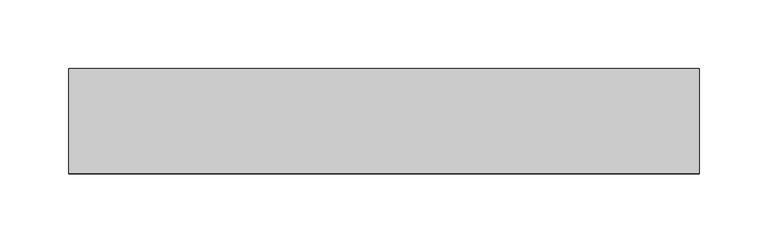
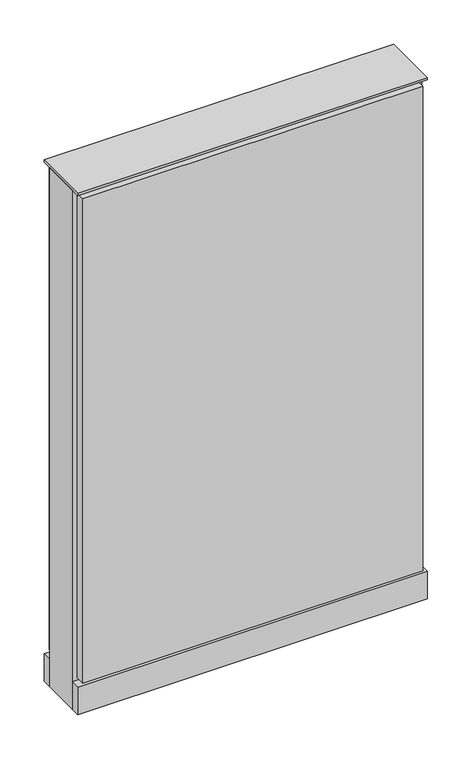
"""IFC4 building model written with IfcOpenShell, lengths in millimetres: furniture geometry."""

from ifc_helpers import new_model, si_unit, point, frame, frame_2d, origin, origin_with_axes, place, context, project, spatial, polyline, circle_curve, trimmed, segment, composite_curve, outline, extrude, source, transform, mapped, element, save


def furniture_38d11c77(model_context):
    return source(origin(), model_context, "Body", "SweptSolid", [
        extrude(outline(composite_curve([segment(trimmed(circle_curve(frame_2d((154.8402902, 0.0)), 12.7), [point((142.1402902, 0.0))], [point((167.5402902, 0.0))], False, "CARTESIAN"), True, "CONTINUOUS"), segment(trimmed(circle_curve(frame_2d((154.8402902, 0.0)), 12.7), [point((167.5402902, 0.0))], [point((142.1402902, 0.0))], False, "CARTESIAN"), True, "CONTINUOUS")], self_intersect=False)), origin_with_axes(), (0.0, 0.0, 1.0), 12.7),
        extrude(outline(composite_curve([segment(trimmed(circle_curve(frame_2d((-149.9597098, 0.0)), 12.7), [point((-162.6597098, 0.0))], [point((-137.2597098, 0.0))], False, "CARTESIAN"), True, "CONTINUOUS"), segment(trimmed(circle_curve(frame_2d((-149.9597098, 0.0)), 12.7), [point((-137.2597098, 0.0))], [point((-162.6597098, 0.0))], False, "CARTESIAN"), True, "CONTINUOUS")], self_intersect=False)), origin_with_axes(), (0.0, 0.0, 1.0), 12.7),
        extrude(outline(polyline([(224.6902902, 38.1), (224.6902902, 25.4), (-219.8097098, 25.4), (-219.8097098, 38.1), (224.6902902, 38.1)])), frame((0.0, 0.0, 53.975), z_axis=(0.0, 0.0, 1.0), x_axis=(1.0, 0.0, 0.0)), (0.0, 0.0, 1.0), 669.925),
        extrude(outline(polyline([(224.6902902, -38.1), (-219.8097098, -38.1), (-219.8097098, -25.4), (224.6902902, -25.4), (224.6902902, -38.1)])), frame((0.0, 0.0, 53.975), z_axis=(0.0, 0.0, 1.0), x_axis=(1.0, 0.0, 0.0)), (0.0, 0.0, 1.0), 669.925),
        extrude(outline(polyline([(231.0402902, 25.4), (231.0402902, -25.4), (-226.1597098, -25.4), (-226.1597098, 25.4), (231.0402902, 25.4)])), frame((0.0, 0.0, 12.7), z_axis=(0.0, 0.0, 1.0), x_axis=(1.0, 0.0, 0.0)), (0.0, 0.0, 1.0), 717.55),
        extrude(outline(polyline([(-226.1597098, -38.1), (-226.1597098, 38.1), (231.0402902, 38.1), (231.0402902, -38.1), (-226.1597098, -38.1)])), frame((0.0, 0.0, 12.7), z_axis=(0.0, 0.0, 1.0), x_axis=(1.0, 0.0, 0.0)), (0.0, 0.0, 1.0), 38.1),
        extrude(outline(polyline([(-226.1597098, -38.1), (-226.1597098, 38.1), (231.0402902, 38.1), (231.0402902, -38.1), (-226.1597098, -38.1)])), frame((0.0, 0.0, 730.25), z_axis=(0.0, 0.0, 1.0), x_axis=(1.0, 0.0, 0.0)), (0.0, 0.0, 1.0), 3.175),
    ])


if __name__ == "__main__":
    model = new_model("IFC4")
    model_context = context("Model", 3, world=origin())
    ifc_project = project(units=[si_unit("LENGTHUNIT", "METRE", prefix="MILLI")], contexts=[model_context])
    site = spatial("IfcSite", under=ifc_project)
    building = spatial("IfcBuilding", under=site)
    placement = place(None, origin())
    furniture_shape = furniture_38d11c77(model_context)
    element("IfcFurniture", 1, at=placement, inside=building, context=model_context, shape_type="MappedRepresentation", body=[
        mapped(furniture_shape, transform((0.0, 0.0, 0.0), x_axis=(1.0, 0.0, 0.0), y_axis=(0.0, 1.0, 0.0), z_axis=(0.0, 0.0, 1.0))),
    ])
    save(model, "model.ifc")
